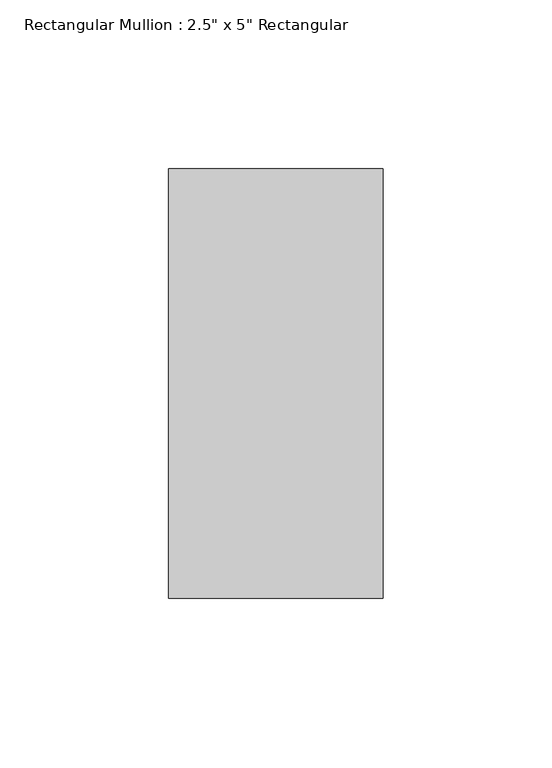
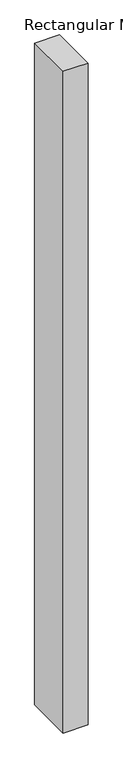
"""IFC4 building model written with IfcOpenShell, lengths in millimetres: member geometry."""

from ifc_helpers import new_model, si_unit, frame, origin, place, context, project, spatial, polyline, outline, extrude, source, transform, mapped, element, save


def member_c3fe432b(model_context):
    return source(origin(), model_context, "Body", "SweptSolid", [
        extrude(outline(polyline([(31.75, 63.5), (31.75, -63.5), (-31.75, -63.5), (-31.75, 63.5), (31.75, 63.5)])), frame((0.0, 0.0, -1797.05), z_axis=(0.0, 0.0, 1.0), x_axis=(1.0, 0.0, 0.0)), (0.0, 0.0, 1.0), 1797.05),
    ])


if __name__ == "__main__":
    model = new_model("IFC4")
    model_context = context("Model", 3, world=origin())
    ifc_project = project(units=[si_unit("LENGTHUNIT", "METRE", prefix="MILLI")], contexts=[model_context])
    site = spatial("IfcSite", under=ifc_project)
    building = spatial("IfcBuilding", under=site)
    placement = place(None, origin())
    member_shape = member_c3fe432b(model_context)
    element("IfcMember", 1, ObjectType="Rectangular Mullion : 2.5\" x 5\" Rectangular", at=placement, inside=building, context=model_context, shape_type="MappedRepresentation", body=[
        mapped(member_shape, transform((0.0, 0.0, 0.0), x_axis=(1.0, 0.0, 0.0), y_axis=(0.0, 1.0, 0.0), z_axis=(0.0, 0.0, 1.0))),
    ])
    save(model, "model.ifc")
